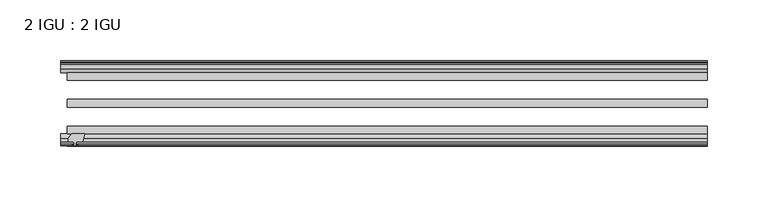
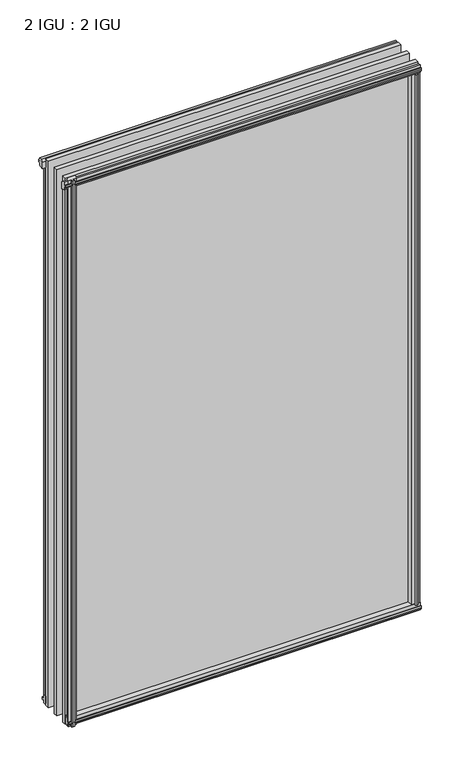
"""IFC4 building model written with IfcOpenShell, lengths in millimetres: plate geometry, 2 IGU : 2 IGU."""

from ifc_helpers import new_model, si_unit, frame, origin, origin_with_axes, place, context, project, spatial, polyline, outline, extrude, source, transform, mapped, element, save


def plate_2_igu_2_igu_9aea2473(model_context):
    return source(origin(), model_context, "Body", "SweptSolid", [
        extrude(outline(polyline([(-248.8363471, -69.9960936), (-250.5540651, -76.3460936), (-255.7610651, -76.3460936), (-256.1420651, -78.7262905), (-254.7265361, -78.2663573), (-254.7265361, -79.0675715), (-256.9040651, -79.7750936), (-259.0815942, -79.0675715), (-259.0815942, -78.2663573), (-257.6660651, -78.7262905), (-258.0470651, -76.3460936), (-262.4920651, -76.3460936), (-262.4920651, -73.3996936), (-259.657723, -69.9960936), (-248.8363471, -69.9960936)])), frame((0.0, 0.0, -12.303125), z_axis=(0.0, 0.0, 1.0), x_axis=(1.0, 0.0, 0.0)), (0.0, 0.0, 1.0), 862.961825),
        extrude(outline(polyline([(255.2472361, -10.4746158), (257.4247651, -9.7670937), (259.6022942, -10.4746158), (259.6022942, -11.27583), (258.1867651, -10.8158968), (258.5677651, -13.1960937), (263.0127651, -13.1960937), (263.0127651, -16.1424937), (260.178423, -19.5460937), (249.3570471, -19.5460937), (251.0747651, -13.1960937), (256.2817651, -13.1960937), (256.6627651, -10.8158968), (255.2472361, -11.27583), (255.2472361, -10.4746158)])), origin_with_axes(), (0.0, 0.0, 1.0), 838.2),
        extrude(outline(polyline([(-19.5460937, 1.5938931), (-13.1960937, -0.123825), (-13.1960937, -5.330825), (-10.8158968, -5.711825), (-11.27583, -4.2962959), (-10.4746158, -4.2962959), (-9.7670937, -6.473825), (-10.4746158, -8.6513541), (-11.27583, -8.6513541), (-10.8158968, -7.235825), (-13.1960937, -7.616825), (-13.1960937, -12.061825), (-16.1424937, -12.061825), (-19.5460937, -9.2274828), (-19.5460937, 1.5938931)])), frame((-263.2540651, 0.0, 0.0), z_axis=(1.0, 0.0, 0.0), x_axis=(0.0, 1.0, 0.0)), (0.0, 0.0, 1.0), 526.5081303),
        extrude(outline(polyline([(-69.9960936, 2.1145931), (-69.9960936, -8.7067828), (-73.3996936, -11.541125), (-76.3460936, -11.541125), (-76.3460936, -7.096125), (-78.7262905, -6.715125), (-78.2663573, -8.1306541), (-79.0675715, -8.1306541), (-79.7750936, -5.953125), (-79.0675715, -3.7755959), (-78.2663573, -3.7755959), (-78.7262905, -5.191125), (-76.3460936, -4.810125), (-76.3460936, 0.396875), (-69.9960936, 2.1145931)])), frame((-263.2540651, 0.0, 0.0), z_axis=(1.0, 0.0, 0.0), x_axis=(0.0, 1.0, 0.0)), (0.0, 0.0, 1.0), 526.5081303),
        extrude(outline(polyline([(-10.8158968, 845.8327), (-11.27583, 847.2482291), (-10.4746158, 847.2482291), (-9.7670937, 845.0707), (-10.4746158, 842.8931709), (-11.27583, 842.8931709), (-10.8158968, 844.3087), (-13.1960937, 843.9277), (-13.1960937, 838.7207), (-19.5460937, 837.0029819), (-19.5460937, 847.8243578), (-16.1424937, 850.6587), (-13.1960937, 850.6587), (-13.1960937, 846.2137), (-10.8158968, 845.8327)])), frame((-268.600171, 0.0, 0.0), z_axis=(1.0, 0.0, 0.0), x_axis=(0.0, 1.0, 0.0)), (0.0, 0.0, 1.0), 531.8542362),
        extrude(outline(polyline([(-76.3460936, 850.138), (-73.3996936, 850.138), (-69.9960936, 847.3036578), (-69.9960936, 836.4822819), (-76.3460936, 838.2), (-76.3460936, 843.407), (-78.7262905, 843.788), (-78.2663573, 842.3724709), (-79.0675715, 842.3724709), (-79.7750936, 844.55), (-79.0675715, 846.7275291), (-78.2663573, 846.7275291), (-78.7262905, 845.312), (-76.3460936, 845.693), (-76.3460936, 850.138)])), frame((-268.600171, 0.0, 0.0), z_axis=(1.0, 0.0, 0.0), x_axis=(0.0, 1.0, 0.0)), (0.0, 0.0, 1.0), 531.8542362),
        extrude(outline(polyline([(248.8363471, -69.9960936), (259.657723, -69.9960936), (262.4920651, -73.3996936), (262.4920651, -76.3460936), (258.0470651, -76.3460936), (257.6660651, -78.7262905), (259.0815942, -78.2663573), (259.0815942, -79.0675715), (256.9040651, -79.7750936), (254.7265361, -79.0675715), (254.7265361, -78.2663573), (256.1420651, -78.7262905), (255.7610651, -76.3460936), (250.5540651, -76.3460936), (248.8363471, -69.9960936)])), origin_with_axes(), (0.0, 0.0, 1.0), 838.2),
        extrude(outline(polyline([(-257.4247651, -9.7670937), (-255.2472361, -10.4746158), (-255.2472361, -11.27583), (-256.6627651, -10.8158968), (-256.2817651, -13.1960937), (-251.0747651, -13.1960937), (-249.3570471, -19.5460937), (-260.178423, -19.5460937), (-263.0127651, -16.1424937), (-263.0127651, -13.1960937), (-258.5677651, -13.1960937), (-258.1867651, -10.8158968), (-259.6022942, -11.27583), (-259.6022942, -10.4746158), (-257.4247651, -9.7670937)])), origin_with_axes(), (0.0, 0.0, 1.0), 838.2),
        extrude(outline(polyline([(263.2540651, -19.5460937), (263.2540651, -25.8960937), (-263.2540651, -25.8960937), (-263.2540651, -19.5460937), (263.2540651, -19.5460937)])), frame((0.0, 0.0, -12.303125), z_axis=(0.0, 0.0, 1.0), x_axis=(1.0, 0.0, 0.0)), (0.0, 0.0, 1.0), 863.203125),
        extrude(outline(polyline([(-263.2540651, -41.5960937), (263.2540651, -41.5960937), (263.2540651, -47.9460937), (-263.2540651, -47.9460937), (-263.2540651, -41.5960937)])), frame((0.0, 0.0, -12.303125), z_axis=(0.0, 0.0, 1.0), x_axis=(1.0, 0.0, 0.0)), (0.0, 0.0, 1.0), 863.203125),
        extrude(outline(polyline([(263.2540651, -63.6460936), (263.2540651, -69.9960936), (-263.2540651, -69.9960936), (-263.2540651, -63.6460936), (263.2540651, -63.6460936)])), frame((0.0, 0.0, -12.303125), z_axis=(0.0, 0.0, 1.0), x_axis=(1.0, 0.0, 0.0)), (0.0, 0.0, 1.0), 863.203125),
    ])


if __name__ == "__main__":
    model = new_model("IFC4")
    model_context = context("Model", 3, world=origin())
    ifc_project = project(units=[si_unit("LENGTHUNIT", "METRE", prefix="MILLI")], contexts=[model_context])
    site = spatial("IfcSite", under=ifc_project)
    building = spatial("IfcBuilding", under=site)
    placement = place(None, origin())
    plate_2_igu_2_igu_shape = plate_2_igu_2_igu_9aea2473(model_context)
    element("IfcPlate", 1, ObjectType="2 IGU : 2 IGU", at=placement, inside=building, context=model_context, shape_type="MappedRepresentation", body=[
        mapped(plate_2_igu_2_igu_shape, transform((0.0, 0.0, 0.0), x_axis=(1.0, 0.0, 0.0), y_axis=(0.0, 1.0, 0.0), z_axis=(0.0, 0.0, 1.0))),
    ])
    save(model, "model.ifc")
